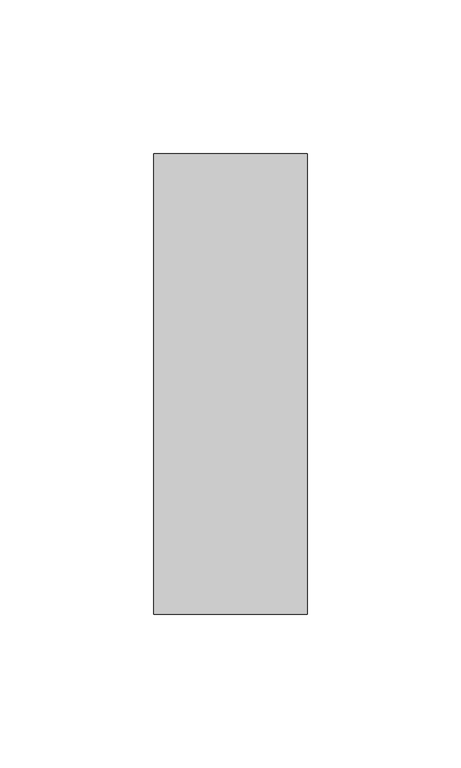
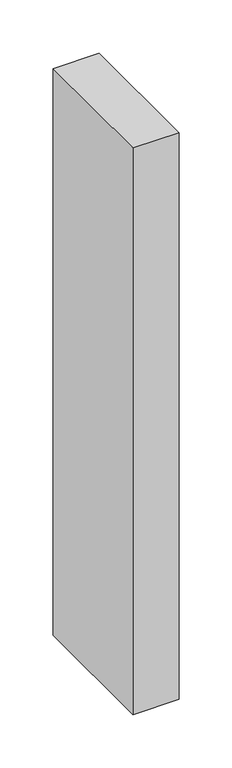
"""IFC4 building model written with IfcOpenShell, lengths in millimetres: member geometry."""

from ifc_helpers import new_model, si_unit, frame, origin, place, context, project, spatial, polyline, outline, extrude, source, transform, mapped, element, save


def member_9b8962c0(model_context):
    return source(origin(), model_context, "Body", "SweptSolid", [
        extrude(outline(polyline([(0.0, 75.0), (0.0, -75.0), (-50.0, -75.0), (-50.0, 75.0), (0.0, 75.0)])), frame((0.0, 0.0, -650.0), z_axis=(0.0, 0.0, 1.0), x_axis=(1.0, 0.0, 0.0)), (0.0, 0.0, 1.0), 650.0),
    ])


if __name__ == "__main__":
    model = new_model("IFC4")
    model_context = context("Model", 3, world=origin())
    ifc_project = project(units=[si_unit("LENGTHUNIT", "METRE", prefix="MILLI")], contexts=[model_context])
    site = spatial("IfcSite", under=ifc_project)
    building = spatial("IfcBuilding", under=site)
    placement = place(None, origin())
    member_shape = member_9b8962c0(model_context)
    element("IfcMember", 1, at=placement, inside=building, context=model_context, shape_type="MappedRepresentation", body=[
        mapped(member_shape, transform((0.0, 0.0, 0.0), x_axis=(1.0, 0.0, 0.0), y_axis=(0.0, 1.0, 0.0), z_axis=(0.0, 0.0, 1.0))),
    ])
    save(model, "model.ifc")
